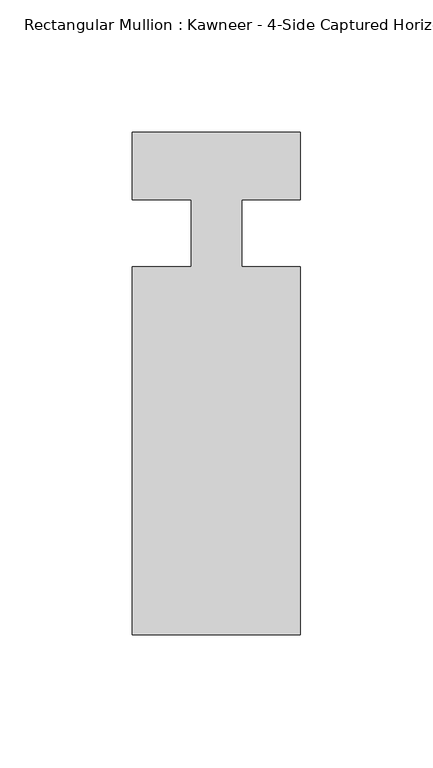
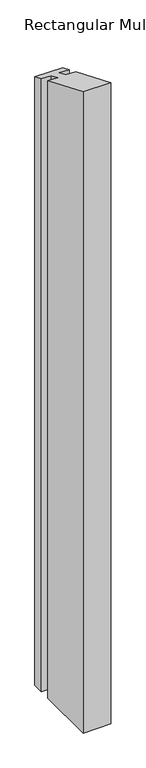
"""IFC4 building model written with IfcOpenShell, lengths in millimetres: member geometry."""

from ifc_helpers import new_model, si_unit, origin, place, context, project, spatial, faceted_brep, source, transform, mapped, element, save


def member_47df74a5(model_context):
    return source(origin(), model_context, "Body", "Brep", [
        faceted_brep([(-9.525, 12.7, -1481.5954004), (-31.75, 12.7, -1481.5954004), (-31.75, 38.1, -1481.5954004), (31.75, 38.1, -1481.5954004), (31.75, 12.7, -1481.5954004), (9.5251132, 12.7, -1481.5954004), (9.5251132, -12.7, -1481.5954004), (31.75, -12.7, -1481.5954004), (31.75, -151.892, -1481.5954004), (-31.75, -151.892, -1481.5954004), (-31.75, -12.7, -1481.5954004), (-9.525, -12.7, -1481.5954004), (-9.525, -12.7, 5.2605122), (-9.525, 12.7, -5.2605122), (-31.75, -12.7, 5.2605122), (-31.75, -151.892, 62.9157264), (31.75, -151.892, 62.9157264), (31.75, -12.7, 5.2605122), (9.5251132, -12.7, 5.2605122), (9.5251132, 12.7, -5.2605122), (31.75, 12.7, -5.2605122), (31.75, 38.1, -15.7815367), (-31.75, 38.1, -15.7815367), (-31.75, 12.7, -5.2605122)], [[[0, 1, 2, 3, 4, 5, 6, 7, 8, 9, 10, 11]], [[12, 13, 0, 11]], [[14, 12, 11, 10]], [[15, 14, 10, 9]], [[16, 15, 9, 8]], [[17, 16, 8, 7]], [[18, 17, 7, 6]], [[19, 18, 6, 5]], [[20, 19, 5, 4]], [[21, 20, 4, 3]], [[22, 21, 3, 2]], [[23, 22, 2, 1]], [[13, 23, 1, 0]], [[13, 12, 14, 15, 16, 17, 18, 19, 20, 21, 22, 23]]]),
    ])


if __name__ == "__main__":
    model = new_model("IFC4")
    model_context = context("Model", 3, world=origin())
    ifc_project = project(units=[si_unit("LENGTHUNIT", "METRE", prefix="MILLI")], contexts=[model_context])
    site = spatial("IfcSite", under=ifc_project)
    building = spatial("IfcBuilding", under=site)
    placement = place(None, origin())
    member_shape = member_47df74a5(model_context)
    element("IfcMember", 1, ObjectType="Rectangular Mullion : Kawneer - 4-Side Captured Horizontal Mullion - 7 1/2\"", at=placement, inside=building, context=model_context, shape_type="MappedRepresentation", body=[
        mapped(member_shape, transform((0.0, 0.0, 0.0), x_axis=(1.0, 0.0, 0.0), y_axis=(0.0, 1.0, 0.0), z_axis=(0.0, 0.0, 1.0))),
    ])
    save(model, "model.ifc")
